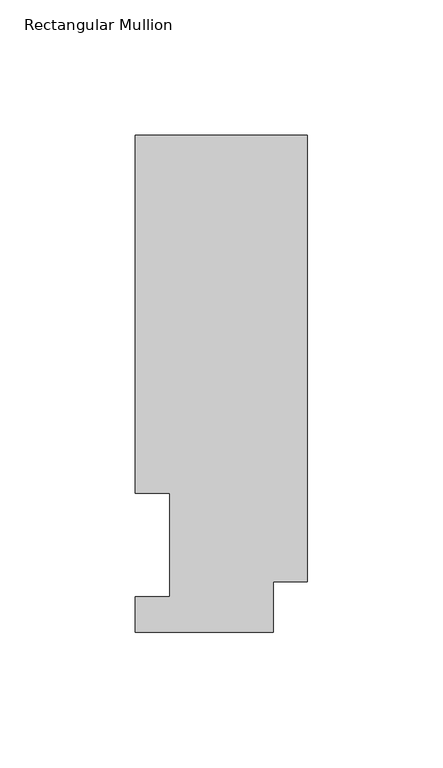
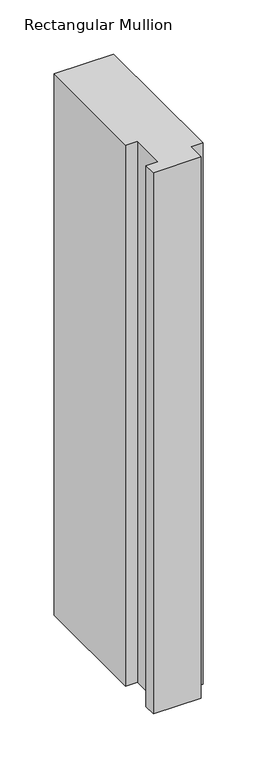
"""IFC4 building model written with IfcOpenShell, lengths in millimetres: member geometry, Rectangular Mullion."""

from ifc_helpers import new_model, si_unit, frame, origin, place, context, project, spatial, polyline, outline, extrude, source, transform, mapped, element, save


def rectangular_mullion_184317b9(model_context):
    return source(origin(), model_context, "Body", "SweptSolid", [
        extrude(outline(polyline([(0.0, 18.7332937), (-12.7, 18.7332937), (-12.7, 0.0134937), (-63.5, 0.0134937), (-63.5, 13.1960938), (-50.8, 13.1960938), (-50.8, 51.2960937), (-63.5, 51.2960938), (-63.5, 183.4446737), (0.0, 183.4446737), (0.0, 18.7332937)])), frame((0.0, 0.0, -609.6), z_axis=(0.0, 0.0, 1.0), x_axis=(1.0, 0.0, 0.0)), (0.0, 0.0, 1.0), 609.6),
    ])


if __name__ == "__main__":
    model = new_model("IFC4")
    model_context = context("Model", 3, world=origin())
    ifc_project = project(units=[si_unit("LENGTHUNIT", "METRE", prefix="MILLI")], contexts=[model_context])
    site = spatial("IfcSite", under=ifc_project)
    building = spatial("IfcBuilding", under=site)
    placement = place(None, origin())
    rectangular_mullion_shape = rectangular_mullion_184317b9(model_context)
    element("IfcMember", 1, ObjectType="Rectangular Mullion", at=placement, inside=building, context=model_context, shape_type="MappedRepresentation", body=[
        mapped(rectangular_mullion_shape, transform((0.0, 0.0, 0.0), x_axis=(1.0, 0.0, 0.0), y_axis=(0.0, 1.0, 0.0), z_axis=(0.0, 0.0, 1.0))),
    ])
    save(model, "model.ifc")
